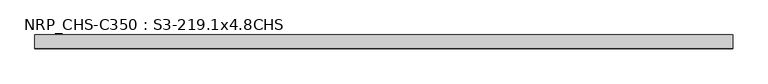
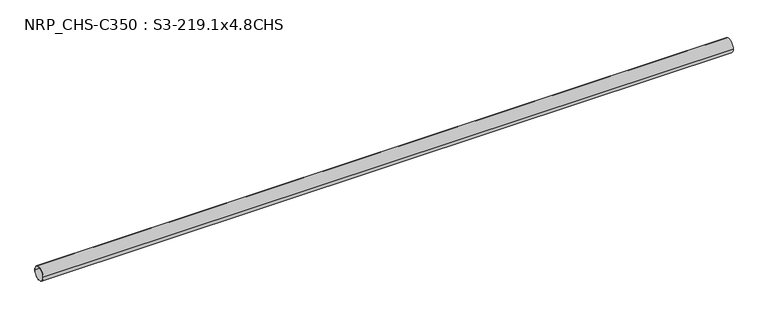
"""IFC4 building model written with IfcOpenShell, lengths in millimetres: beam geometry, NRP_CHS-C350 : S3-219.1x4.8CHS."""

from ifc_helpers import new_model, si_unit, point, frame, origin, origin_2d, place, context, project, spatial, circle_curve, trimmed, segment, composite_curve, outline, extrude, source, transform, mapped, element, save


def nrp_chs_c350_s3_219_1x4_8chs_3ba2d28d(model_context):
    return source(origin(), model_context, "Body", "SweptSolid", [
        extrude(outline(composite_curve([segment(trimmed(circle_curve(origin_2d(), 109.55), [point((-109.55, 0.0))], [point((109.55, 0.0))], False, "CARTESIAN"), True, "CONTINUOUS"), segment(trimmed(circle_curve(origin_2d(), 109.55), [point((109.55, 0.0))], [point((-109.55, 0.0))], False, "CARTESIAN"), True, "CONTINUOUS")], self_intersect=False), holes=[composite_curve([segment(trimmed(circle_curve(origin_2d(), 104.75), [point((104.75, 0.0))], [point((-104.75, 0.0))], True, "CARTESIAN"), True, "CONTINUOUS"), segment(trimmed(circle_curve(origin_2d(), 104.75), [point((-104.75, 0.0))], [point((104.75, 0.0))], True, "CARTESIAN"), True, "CONTINUOUS")], self_intersect=False)]), frame((-5542.3, 0.0, 0.0), z_axis=(1.0, 0.0, 0.0), x_axis=(0.0, 1.0, 0.0)), (0.0, 0.0, 1.0), 10952.9),
    ])


if __name__ == "__main__":
    model = new_model("IFC4")
    model_context = context("Model", 3, world=origin())
    ifc_project = project(units=[si_unit("LENGTHUNIT", "METRE", prefix="MILLI")], contexts=[model_context])
    site = spatial("IfcSite", under=ifc_project)
    building = spatial("IfcBuilding", under=site)
    placement = place(None, origin())
    nrp_chs_c350_s3_219_1x4_8chs_shape = nrp_chs_c350_s3_219_1x4_8chs_3ba2d28d(model_context)
    element("IfcBeam", 1, ObjectType="NRP_CHS-C350 : S3-219.1x4.8CHS", at=placement, inside=building, context=model_context, shape_type="MappedRepresentation", body=[
        mapped(nrp_chs_c350_s3_219_1x4_8chs_shape, transform((0.0, 0.0, 0.0), x_axis=(1.0, 0.0, 0.0), y_axis=(0.0, 1.0, 0.0), z_axis=(0.0, 0.0, 1.0))),
    ])
    save(model, "model.ifc")
